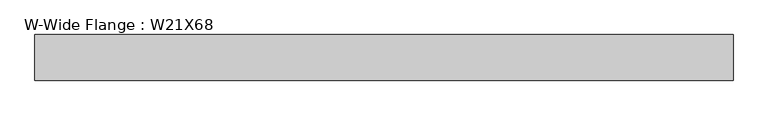
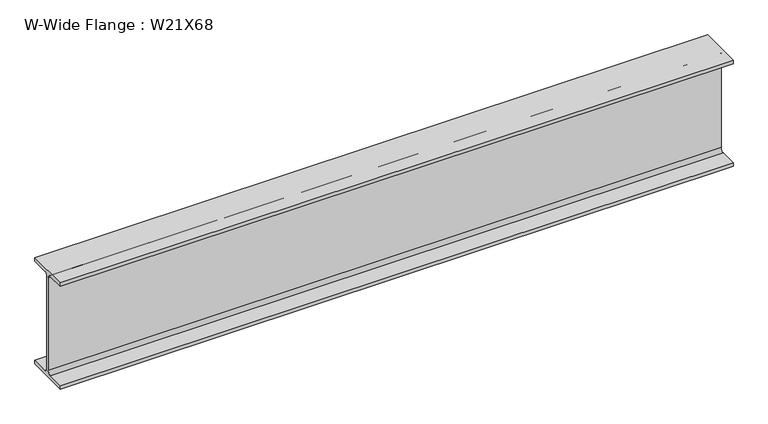
"""IFC4 building model written with IfcOpenShell, lengths in millimetres: beam geometry, W-Wide Flange : W21X68."""

from ifc_helpers import new_model, si_unit, point, frame, frame_2d, origin, place, context, project, spatial, polyline, circle_curve, trimmed, segment, composite_curve, outline, extrude, source, transform, mapped, element, save


def w_wide_flange_w21x68_5e1aae41(model_context):
    return source(origin(), model_context, "Body", "SweptSolid", [
        extrude(outline(composite_curve([segment(polyline([(105.029, -250.571), (105.029, -267.97), (-105.029, -267.97), (-105.029, -250.571), (-22.987, -250.571)]), True, "CONTINUOUS"), segment(trimmed(circle_curve(frame_2d((-22.987, -233.045)), 17.526), [point((-22.987, -250.571))], [point((-5.461, -233.045))], True, "CARTESIAN"), True, "CONTINUOUS"), segment(polyline([(-5.461, -233.045), (-5.461, 233.045)]), True, "CONTINUOUS"), segment(trimmed(circle_curve(frame_2d((-22.987, 233.045)), 17.526), [point((-5.461, 233.045))], [point((-22.987, 250.571))], True, "CARTESIAN"), True, "CONTINUOUS"), segment(polyline([(-22.987, 250.571), (-105.029, 250.571), (-105.029, 267.97), (105.029, 267.97), (105.029, 250.571), (22.987, 250.571)]), True, "CONTINUOUS"), segment(trimmed(circle_curve(frame_2d((22.987, 233.045)), 17.526), [point((22.987, 250.571))], [point((5.461, 233.045))], True, "CARTESIAN"), True, "CONTINUOUS"), segment(polyline([(5.461, 233.045), (5.461, -233.045)]), True, "CONTINUOUS"), segment(trimmed(circle_curve(frame_2d((22.987, -233.045)), 17.526), [point((5.461, -233.045))], [point((22.987, -250.571))], True, "CARTESIAN"), True, "CONTINUOUS"), segment(polyline([(22.987, -250.571), (105.029, -250.571)]), True, "CONTINUOUS")], self_intersect=False)), frame((-1435.1, 0.0, 0.0), z_axis=(1.0, 0.0, 0.0), x_axis=(0.0, 1.0, 0.0)), (0.0, 0.0, 1.0), 3213.1),
    ])


if __name__ == "__main__":
    model = new_model("IFC4")
    model_context = context("Model", 3, world=origin())
    ifc_project = project(units=[si_unit("LENGTHUNIT", "METRE", prefix="MILLI")], contexts=[model_context])
    site = spatial("IfcSite", under=ifc_project)
    building = spatial("IfcBuilding", under=site)
    placement = place(None, origin())
    w_wide_flange_w21x68_shape = w_wide_flange_w21x68_5e1aae41(model_context)
    element("IfcBeam", 1, ObjectType="W-Wide Flange : W21X68", at=placement, inside=building, context=model_context, shape_type="MappedRepresentation", body=[
        mapped(w_wide_flange_w21x68_shape, transform((0.0, 0.0, 0.0), x_axis=(1.0, 0.0, 0.0), y_axis=(0.0, 1.0, 0.0), z_axis=(0.0, 0.0, 1.0))),
    ])
    save(model, "model.ifc")
